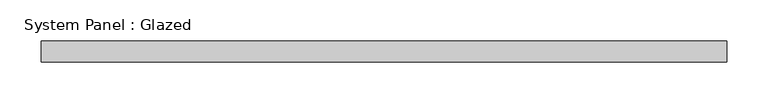
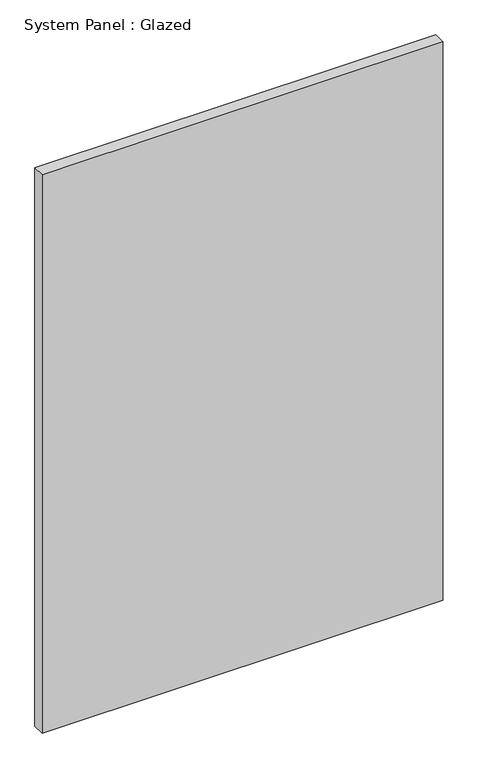
"""IFC4 building model written with IfcOpenShell, lengths in millimetres: plate geometry, System Panel : Glazed."""

from ifc_helpers import new_model, si_unit, origin, origin_with_axes, place, context, project, spatial, polyline, outline, extrude, source, transform, mapped, element, save


def system_panel_glazed_ab490cc1(model_context):
    return source(origin(), model_context, "Body", "SweptSolid", [
        extrude(outline(polyline([(413.7295416, 19.05), (-413.7295416, 19.05), (-413.7295416, 44.45), (413.7295416, 44.45), (413.7295416, 19.05)])), origin_with_axes(), (0.0, 0.0, 1.0), 1219.2),
    ])


if __name__ == "__main__":
    model = new_model("IFC4")
    model_context = context("Model", 3, world=origin())
    ifc_project = project(units=[si_unit("LENGTHUNIT", "METRE", prefix="MILLI")], contexts=[model_context])
    site = spatial("IfcSite", under=ifc_project)
    building = spatial("IfcBuilding", under=site)
    placement = place(None, origin())
    system_panel_glazed_shape = system_panel_glazed_ab490cc1(model_context)
    element("IfcPlate", 1, ObjectType="System Panel : Glazed", at=placement, inside=building, context=model_context, shape_type="MappedRepresentation", body=[
        mapped(system_panel_glazed_shape, transform((0.0, 0.0, 0.0), x_axis=(1.0, 0.0, 0.0), y_axis=(0.0, 1.0, 0.0), z_axis=(0.0, 0.0, 1.0))),
    ])
    save(model, "model.ifc")
